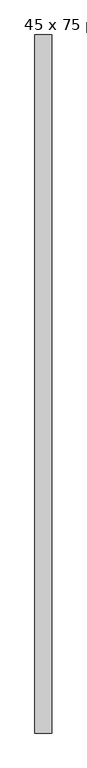
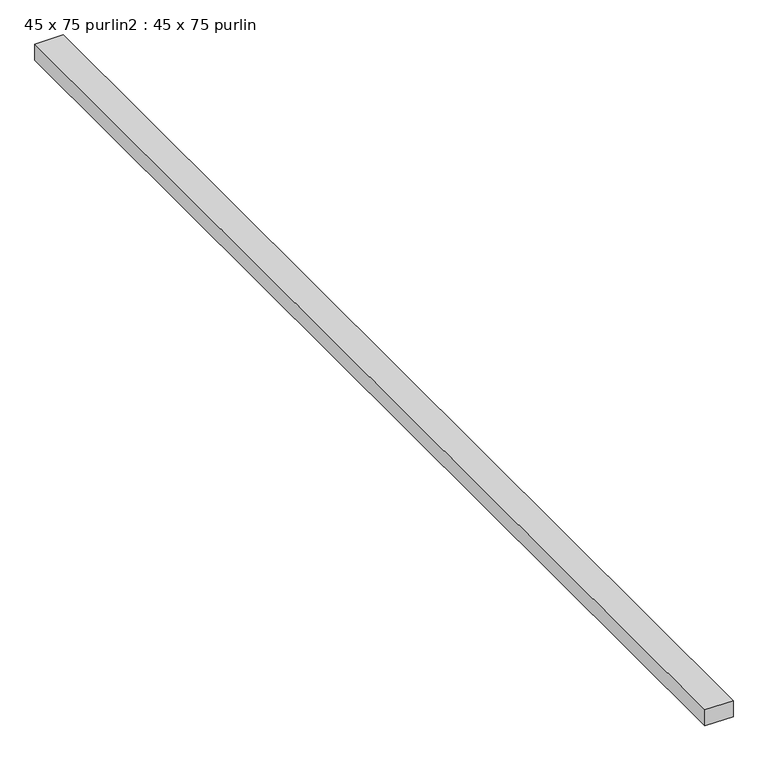
"""IFC4 building model written with IfcOpenShell, lengths in millimetres: proxy geometry, 45 x 75 purlin2 : 45 x 75 purlin."""

from ifc_helpers import new_model, si_unit, frame, origin, place, context, project, spatial, polyline, outline, extrude, source, transform, mapped, element, save


def proxy_45_x_75_purlin2_45_x_75_purlin_6b0f89d6(model_context):
    return source(origin(), model_context, "Body", "SweptSolid", [
        extrude(outline(polyline([(22067.8272386, -13655.4372176), (21992.8272386, -13655.4372176), (21992.8272386, -10565.4372176), (22067.8272386, -10565.4372176), (22067.8272386, -13655.4372176)])), frame((0.0, 0.0, 3784.2452806), z_axis=(0.0, 0.0, 1.0), x_axis=(1.0, 0.0, 0.0)), (0.0, 0.0, 1.0), 45.0),
    ])


if __name__ == "__main__":
    model = new_model("IFC4")
    model_context = context("Model", 3, world=origin())
    ifc_project = project(units=[si_unit("LENGTHUNIT", "METRE", prefix="MILLI")], contexts=[model_context])
    site = spatial("IfcSite", under=ifc_project)
    building = spatial("IfcBuilding", under=site)
    placement = place(None, origin())
    proxy_45_x_75_purlin2_45_x_75_purlin_shape = proxy_45_x_75_purlin2_45_x_75_purlin_6b0f89d6(model_context)
    element("IfcBuildingElementProxy", 1, Name="45 x 75 purlin2 : 45 x 75 purlin", ObjectType="45 x 75 purlin2 : 45 x 75 purlin", at=placement, inside=building, context=model_context, shape_type="MappedRepresentation", body=[
        mapped(proxy_45_x_75_purlin2_45_x_75_purlin_shape, transform((0.0, 0.0, 0.0), x_axis=(1.0, 0.0, 0.0), y_axis=(0.0, 1.0, 0.0), z_axis=(0.0, 0.0, 1.0))),
    ])
    save(model, "model.ifc")
